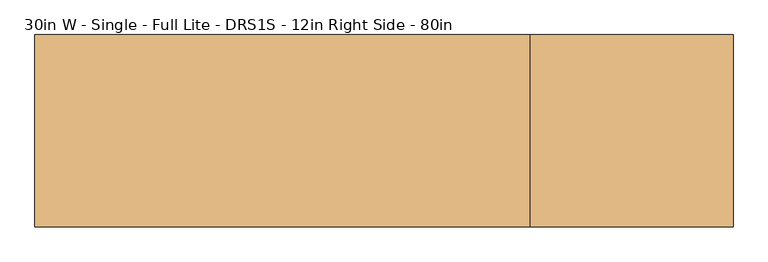
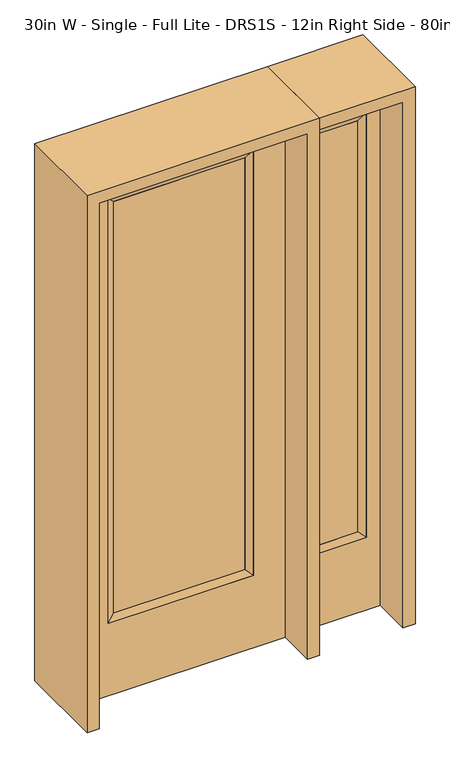
"""IFC4 building model written with IfcOpenShell, lengths in millimetres: door geometry, 30in W - Single - Full Lite - DRS1S - 12in Right Side - 80in."""

from ifc_helpers import new_model, si_unit, frame, origin, place, context, project, spatial, polyline, outline, extrude, faceted_brep, source, transform, mapped, element, save


def door_30in_w_single_full_lite_drs1s_12in_right_side_80in_91a78133(model_context):
    return source(origin(), model_context, "Body", "SolidModel", [
        extrude(outline(polyline([(240.1824, -12.7039749), (-240.1824, -12.7039749), (-240.1824, 14.2875), (240.1824, 14.2875), (240.1824, -12.7039749)])), frame((0.0, 0.0, 304.8), z_axis=(0.0, 0.0, 1.0), x_axis=(1.0, 0.0, 0.0)), (0.0, 0.0, 1.0), 1591.1576),
        faceted_brep([(240.1824, 14.2875, 1895.9576), (265.5824, 22.225, 1921.3576), (265.5824, 22.225, 279.4), (240.1824, 14.2875, 304.8), (265.5824, -22.225, 1921.3576), (265.5824, -22.225, 279.4), (-265.5824, 22.225, 279.4), (-240.1824, 14.2875, 304.8), (240.1824, -12.7039749, 1895.9576), (240.1824, -12.7039749, 304.8), (-240.1824, -12.7039749, 304.8), (-265.5824, -22.225, 279.4), (-265.5824, 22.225, 1921.3576), (-240.1824, 14.2875, 1895.9576), (-240.1824, -12.7039749, 1895.9576), (-265.5824, -22.225, 1921.3576)], [[[0, 1, 2, 3]], [[1, 4, 5, 2]], [[3, 2, 6, 7]], [[8, 0, 3, 9]], [[9, 3, 7, 10]], [[4, 8, 9, 5]], [[5, 9, 10, 11]], [[2, 5, 11, 6]], [[7, 6, 12, 13]], [[10, 7, 13, 14]], [[11, 10, 14, 15]], [[6, 11, 15, 12]], [[13, 12, 1, 0]], [[14, 13, 0, 8]], [[15, 14, 8, 4]], [[12, 15, 4, 1]]]),
        extrude(outline(polyline([(0.0, -381.0), (0.0, 381.0), (2032.0, 381.0), (2032.0, -381.0), (0.0, -381.0)]), holes=[polyline([(279.4, -265.5824), (1921.3576, -265.5824), (1921.3576, 265.5824), (279.4, 265.5824), (279.4, -265.5824)])]), frame((0.0, -22.225, 0.0), z_axis=(0.0, 1.0, 0.0), x_axis=(0.0, 0.0, 1.0)), (0.0, 0.0, 1.0), 44.45),
        faceted_brep([(476.25, 20.6375, 1920.875), (476.25, 20.6375, 279.4), (476.25, -20.6375, 279.4), (476.25, -20.6375, 1920.875), (501.65, -12.7, 304.8), (501.65, -12.7, 1895.475), (679.45, 20.6375, 279.4), (679.45, -20.6375, 279.4), (501.65, 12.7, 1895.475), (501.65, 12.7, 304.8), (654.05, 12.7, 304.8), (654.05, -12.7, 304.8), (679.45, 20.6375, 1920.875), (679.45, -20.6375, 1920.875), (654.05, 12.7, 1895.475), (654.05, -12.7, 1895.475)], [[[0, 1, 2, 3]], [[3, 2, 4, 5]], [[1, 6, 7, 2]], [[8, 9, 1, 0]], [[9, 10, 6, 1]], [[5, 4, 9, 8]], [[4, 11, 10, 9]], [[2, 7, 11, 4]], [[6, 12, 13, 7]], [[10, 14, 12, 6]], [[11, 15, 14, 10]], [[7, 13, 15, 11]], [[12, 0, 3, 13]], [[14, 8, 0, 12]], [[15, 5, 8, 14]], [[13, 3, 5, 15]]]),
        extrude(outline(polyline([(0.0, 730.25), (2032.0, 730.25), (2032.0, 425.45), (0.0, 425.45), (0.0, 730.25)]), holes=[polyline([(1920.875, 476.25), (1920.875, 679.45), (279.4, 679.45), (279.4, 476.25), (1920.875, 476.25)])]), frame((0.0, -20.6375, 0.0), z_axis=(0.0, 1.0, 0.0), x_axis=(0.0, 0.0, 1.0)), (0.0, 0.0, 1.0), 41.275),
        extrude(outline(polyline([(501.65, -12.7), (501.65, 12.7), (654.05, 12.7), (654.05, -12.7), (501.65, -12.7)])), frame((0.0, 0.0, 304.8), z_axis=(0.0, 0.0, 1.0), x_axis=(1.0, 0.0, 0.0)), (0.0, 0.0, 1.0), 1590.675),
        extrude(outline(polyline([(2076.45, -425.45), (0.0, -425.45), (0.0, -381.0), (2032.0, -381.0), (2032.0, 381.0), (0.0, 381.0), (0.0, 425.45), (2076.45, 425.45), (2076.45, -425.45)])), frame((0.0, -165.1, 0.0), z_axis=(0.0, 1.0, 0.0), x_axis=(0.0, 0.0, 1.0)), (0.0, 0.0, 1.0), 330.2),
        extrude(outline(polyline([(0.0, 730.25), (0.0, 774.7), (2076.45, 774.7), (2076.45, 425.45), (2032.0, 425.45), (2032.0, 730.25), (0.0, 730.25)])), frame((0.0, -165.1, 0.0), z_axis=(0.0, 1.0, 0.0), x_axis=(0.0, 0.0, 1.0)), (0.0, 0.0, 1.0), 330.2),
    ])


if __name__ == "__main__":
    model = new_model("IFC4")
    model_context = context("Model", 3, world=origin())
    ifc_project = project(units=[si_unit("LENGTHUNIT", "METRE", prefix="MILLI")], contexts=[model_context])
    site = spatial("IfcSite", under=ifc_project)
    building = spatial("IfcBuilding", under=site)
    placement = place(None, origin())
    door_30in_w_single_full_lite_drs1s_12in_right_side_80in_shape = door_30in_w_single_full_lite_drs1s_12in_right_side_80in_91a78133(model_context)
    element("IfcDoor", 1, ObjectType="30in W - Single - Full Lite - DRS1S - 12in Right Side - 80in", at=placement, inside=building, context=model_context, shape_type="MappedRepresentation", body=[
        mapped(door_30in_w_single_full_lite_drs1s_12in_right_side_80in_shape, transform((0.0, 0.0, 0.0), x_axis=(1.0, 0.0, 0.0), y_axis=(0.0, 1.0, 0.0), z_axis=(0.0, 0.0, 1.0))),
    ])
    save(model, "model.ifc")
